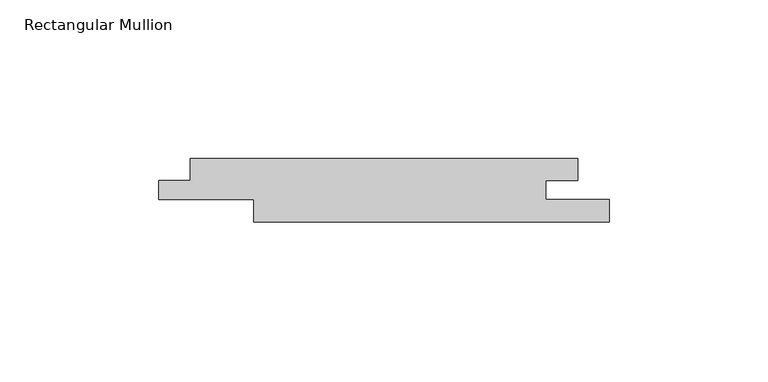
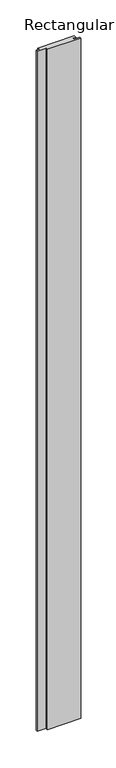
"""IFC4 building model written with IfcOpenShell, lengths in millimetres: member geometry, Rectangular Mullion."""

from ifc_helpers import new_model, si_unit, frame, origin, place, context, project, spatial, polyline, outline, extrude, source, transform, mapped, element, save


def rectangular_mullion_0294201c(model_context):
    return source(origin(), model_context, "Body", "SweptSolid", [
        extrude(outline(polyline([(-142.0, -7.0), (-132.0288065, -7.0), (-132.0288065, 0.0), (-10.0, 0.0), (-10.0, -7.0), (-20.0, -7.0), (-20.0, -13.0), (0.0, -13.0), (0.0, -20.0), (-112.0288065, -20.0), (-112.0288065, -13.0), (-142.0, -13.0), (-142.0, -7.0)])), frame((0.0, 0.0, -2400.0), z_axis=(0.0, 0.0, 1.0), x_axis=(1.0, 0.0, 0.0)), (0.0, 0.0, 1.0), 2400.0),
    ])


if __name__ == "__main__":
    model = new_model("IFC4")
    model_context = context("Model", 3, world=origin())
    ifc_project = project(units=[si_unit("LENGTHUNIT", "METRE", prefix="MILLI")], contexts=[model_context])
    site = spatial("IfcSite", under=ifc_project)
    building = spatial("IfcBuilding", under=site)
    placement = place(None, origin())
    rectangular_mullion_shape = rectangular_mullion_0294201c(model_context)
    element("IfcMember", 1, ObjectType="Rectangular Mullion", at=placement, inside=building, context=model_context, shape_type="MappedRepresentation", body=[
        mapped(rectangular_mullion_shape, transform((0.0, 0.0, 0.0), x_axis=(1.0, 0.0, 0.0), y_axis=(0.0, 1.0, 0.0), z_axis=(0.0, 0.0, 1.0))),
    ])
    save(model, "model.ifc")
